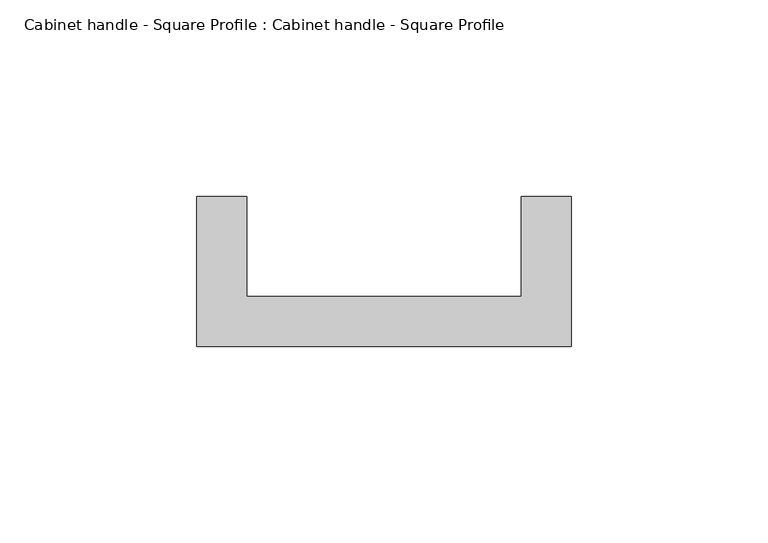
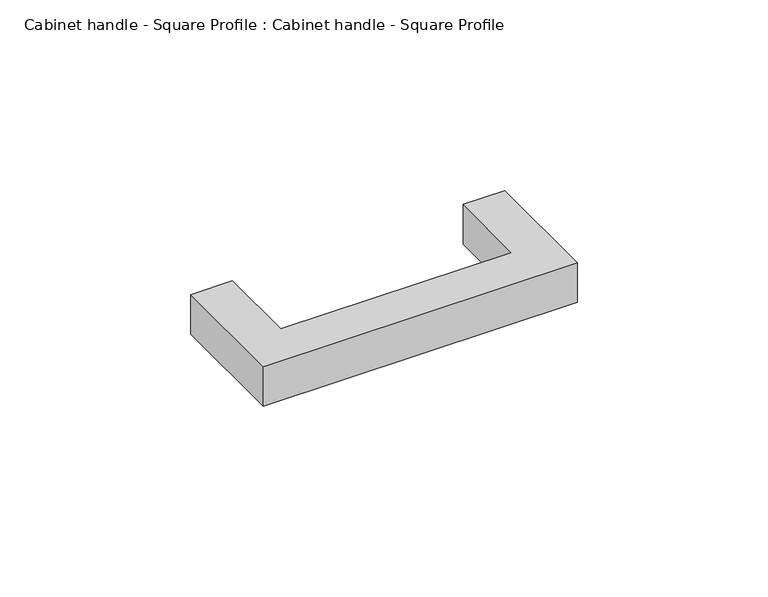
"""IFC4 building model written with IfcOpenShell, lengths in millimetres: furniture geometry, Cabinet handle - Square Profile : Cabinet handle - Square Profile."""

from ifc_helpers import new_model, si_unit, frame, origin, place, context, project, spatial, polyline, outline, extrude, source, transform, mapped, element, save


def cabinet_handle_square_profile_cabinet_handle_square_profile_8fb0c427(model_context):
    return source(origin(), model_context, "Body", "SweptSolid", [
        extrude(outline(polyline([(-25.7122951, -609.6), (-25.7122951, -571.5), (-13.028225, -571.5), (-13.028225, -596.9159299), (56.8536349, -596.9159299), (56.8536349, -571.5), (69.5377049, -571.5), (69.5377049, -609.6), (-25.7122951, -609.6)])), frame((0.0, 0.0, 41.275), z_axis=(0.0, 0.0, 1.0), x_axis=(1.0, 0.0, 0.0)), (0.0, 0.0, 1.0), 12.7),
    ])


if __name__ == "__main__":
    model = new_model("IFC4")
    model_context = context("Model", 3, world=origin())
    ifc_project = project(units=[si_unit("LENGTHUNIT", "METRE", prefix="MILLI")], contexts=[model_context])
    site = spatial("IfcSite", under=ifc_project)
    building = spatial("IfcBuilding", under=site)
    placement = place(None, origin())
    cabinet_handle_square_profile_cabinet_handle_square_profile_shape = cabinet_handle_square_profile_cabinet_handle_square_profile_8fb0c427(model_context)
    element("IfcFurniture", 1, ObjectType="Cabinet handle - Square Profile : Cabinet handle - Square Profile", at=placement, inside=building, context=model_context, shape_type="MappedRepresentation", body=[
        mapped(cabinet_handle_square_profile_cabinet_handle_square_profile_shape, transform((0.0, 0.0, 0.0), x_axis=(1.0, 0.0, 0.0), y_axis=(0.0, 1.0, 0.0), z_axis=(0.0, 0.0, 1.0))),
    ])
    save(model, "model.ifc")
